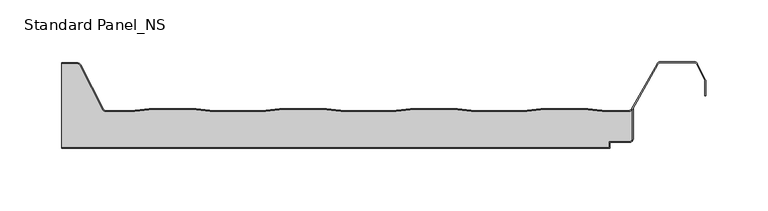
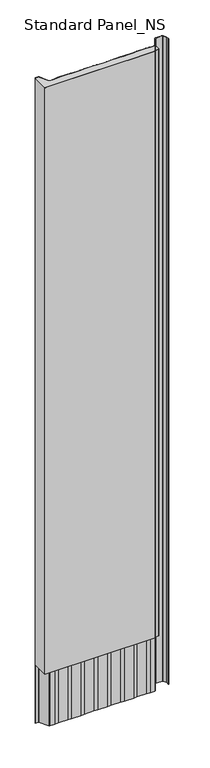
"""IFC4 building model written with IfcOpenShell, lengths in millimetres: proxy geometry, Standard Panel_NS."""

from ifc_helpers import new_model, si_unit, point, frame, frame_2d, origin, origin_with_axes, place, context, project, spatial, polyline, circle_curve, trimmed, segment, composite_curve, outline, extrude, source, transform, mapped, element, save


def standard_panel_ns_cd1e260e(model_context):
    return source(origin(), model_context, "Body", "SweptSolid", [
        extrude(outline(composite_curve([segment(trimmed(circle_curve(frame_2d((211.2333676, 7.9776976)), 2.1), [point((213.3333676, 7.9776976))], [point((211.2333676, 5.8776976))], False, "CARTESIAN"), True, "CONTINUOUS"), segment(polyline([(211.2333676, 5.8776976), (194.4044995, 5.8776976), (194.4044995, 0.8776976), (-249.4999998, 0.8776976), (-249.4999998, 68.61), (-236.856809, 68.61)]), True, "CONTINUOUS"), segment(trimmed(circle_curve(frame_2d((-236.856809, 66.41)), 2.2), [point((-236.856809, 68.61))], [point((-234.886672, 67.389061))], False, "CARTESIAN"), True, "CONTINUOUS"), segment(polyline([(-234.886672, 67.389061), (-216.5484349, 31.7067576)]), True, "CONTINUOUS"), segment(trimmed(circle_curve(frame_2d((-213.150958, 33.4088594)), 3.8), [point((-216.5484349, 31.7067576))], [point((-213.150958, 29.6088594))], True, "CARTESIAN"), True, "CONTINUOUS"), segment(polyline([(-213.150958, 29.6088594), (-193.3070694, 29.6088594), (-178.4996096, 31.4), (-140.4767285, 31.4), (-125.6575299, 29.6074394), (-87.3188082, 29.6074394), (-72.4996096, 31.4), (-34.4767285, 31.4), (-19.6433531, 29.6057246), (18.667015, 29.6057246), (33.5003904, 31.4), (71.5232715, 31.4), (86.3708237, 29.6040097), (124.6528382, 29.6040097), (139.5003904, 31.4), (177.5232715, 31.4), (192.3850005, 29.6022949), (210.2255766, 29.6022949)]), True, "CONTINUOUS"), segment(trimmed(circle_curve(frame_2d((210.179188, 33.4020117)), 3.8), [point((210.2255766, 29.6022949))], [point((213.3333676, 31.2827781))], True, "CARTESIAN"), True, "CONTINUOUS"), segment(polyline([(213.3333676, 31.2827781), (213.3333676, 7.9776976)]), True, "CONTINUOUS")], self_intersect=False)), origin_with_axes(), (0.0, 0.0, 1.0), 2500.0),
        extrude(outline(composite_curve([segment(trimmed(circle_curve(frame_2d((-236.856809, 66.41)), 3.0), [point((-236.856809, 69.41))], [point((-234.1728576, 67.7503003))], False, "CARTESIAN"), True, "CONTINUOUS"), segment(polyline([(-234.1728576, 67.7503003), (-215.8349094, 32.0685591)]), True, "CONTINUOUS"), segment(trimmed(circle_curve(frame_2d((-213.150958, 33.4088594)), 3.0), [point((-215.8349094, 32.0685591))], [point((-213.150958, 30.4088594))], True, "CARTESIAN"), True, "CONTINUOUS"), segment(polyline([(-213.150958, 30.4088594), (-193.3552785, 30.4088594), (-178.5478187, 32.2), (-140.4285194, 32.2), (-125.6093208, 30.4074394), (-87.3670173, 30.4074394), (-72.5478187, 32.2), (-34.4285194, 32.2), (-19.595144, 30.4057246), (18.6188059, 30.4057246), (33.4521813, 32.2), (71.5714806, 32.2), (86.4190328, 30.4040097), (124.6046291, 30.4040097), (139.4521813, 32.2), (177.5714806, 32.2), (192.4332096, 30.4022949), (210.1379709, 30.4022949)]), True, "CONTINUOUS"), segment(trimmed(circle_curve(frame_2d((210.179188, 33.4020117)), 3.0), [point((210.1379709, 30.4022949))], [point((212.8067154, 31.9542204))], True, "CARTESIAN"), True, "CONTINUOUS"), segment(polyline([(212.8067154, 31.9542204), (233.7091409, 68.8490344)]), True, "CONTINUOUS"), segment(trimmed(circle_curve(frame_2d((236.3366683, 67.401243)), 3.0), [point((233.7091409, 68.8490344))], [point((236.3366683, 70.401243))], False, "CARTESIAN"), True, "CONTINUOUS"), segment(polyline([(236.3366683, 70.401243), (263.6856737, 70.401243)]), True, "CONTINUOUS"), segment(trimmed(circle_curve(frame_2d((263.6856737, 67.401243)), 3.0), [point((263.6856737, 70.401243))], [point((266.3696251, 68.7415434))], False, "CARTESIAN"), True, "CONTINUOUS"), segment(polyline([(266.3696251, 68.7415434), (272.89881, 55.6668507)]), True, "CONTINUOUS"), segment(trimmed(circle_curve(frame_2d((270.2148586, 54.3265504)), 3.0), [point((272.89881, 55.6668507))], [point((273.2148586, 54.3265504))], False, "CARTESIAN"), True, "CONTINUOUS"), segment(polyline([(273.2148586, 54.3265504), (273.2148586, 42.8571101), (272.4148586, 42.8571101), (272.4148586, 54.3265504)]), True, "CONTINUOUS"), segment(trimmed(circle_curve(frame_2d((270.2148586, 54.3265504)), 2.2), [point((272.4148586, 54.3265504))], [point((272.1830896, 55.3094373))], True, "CARTESIAN"), True, "CONTINUOUS"), segment(polyline([(272.1830896, 55.3094373), (265.6539047, 68.3841299)]), True, "CONTINUOUS"), segment(trimmed(circle_curve(frame_2d((263.6856737, 67.401243)), 2.2), [point((265.6539047, 68.3841299))], [point((263.6856737, 69.601243))], True, "CARTESIAN"), True, "CONTINUOUS"), segment(polyline([(263.6856737, 69.601243), (236.3366683, 69.601243)]), True, "CONTINUOUS"), segment(trimmed(circle_curve(frame_2d((236.3366683, 67.401243)), 2.2), [point((236.3366683, 69.601243))], [point((234.4077106, 68.4591287))], True, "CARTESIAN"), True, "CONTINUOUS"), segment(polyline([(234.4077106, 68.4591287), (213.5049667, 31.5637527)]), True, "CONTINUOUS"), segment(trimmed(circle_curve(frame_2d((210.179188, 33.4020117)), 3.8), [point((213.5049667, 31.5637527))], [point((210.1327994, 29.6022949))], False, "CARTESIAN"), True, "CONTINUOUS"), segment(polyline([(210.1327994, 29.6022949), (192.3850005, 29.6022949), (177.5232715, 31.4), (139.5003904, 31.4), (124.6528382, 29.6040097), (86.3708237, 29.6040097), (71.5232715, 31.4), (33.5003904, 31.4), (18.667015, 29.6057246), (-19.6433531, 29.6057246), (-34.4767285, 31.4), (-72.4996096, 31.4), (-87.3188082, 29.6074394), (-125.6575299, 29.6074394), (-140.4767285, 31.4), (-178.4996096, 31.4), (-193.3070694, 29.6088594), (-213.150958, 29.6088594)]), True, "CONTINUOUS"), segment(trimmed(circle_curve(frame_2d((-213.150958, 33.4088594)), 3.8), [point((-213.150958, 29.6088594))], [point((-216.5484349, 31.7067576))], False, "CARTESIAN"), True, "CONTINUOUS"), segment(polyline([(-216.5484349, 31.7067576), (-234.886672, 67.389061)]), True, "CONTINUOUS"), segment(trimmed(circle_curve(frame_2d((-236.856809, 66.41)), 2.2), [point((-234.886672, 67.389061))], [point((-236.856809, 68.61))], True, "CARTESIAN"), True, "CONTINUOUS"), segment(polyline([(-236.856809, 68.61), (-249.4999998, 68.61), (-249.4999998, 69.41), (-236.856809, 69.41)]), True, "CONTINUOUS")], self_intersect=False)), frame((0.0, 0.0, -250.0), z_axis=(0.0, 0.0, 1.0), x_axis=(1.0, 0.0, 0.0)), (0.0, 0.0, 1.0), 2750.0),
        extrude(outline(composite_curve([segment(polyline([(194.4044995, 0.9), (194.4044995, 5.9), (211.2333676, 5.9)]), True, "CONTINUOUS"), segment(trimmed(circle_curve(frame_2d((211.2333676, 8.0)), 2.1), [point((211.2333676, 5.9))], [point((213.3333676, 8.0))], True, "CARTESIAN"), True, "CONTINUOUS"), segment(polyline([(213.3333676, 8.0), (213.3333676, 31.2827781), (214.2333676, 32.8494512), (214.2333676, 8.0)]), True, "CONTINUOUS"), segment(trimmed(circle_curve(frame_2d((211.2333676, 8.0)), 3.0), [point((214.2333676, 8.0))], [point((211.2333676, 5.0))], False, "CARTESIAN"), True, "CONTINUOUS"), segment(polyline([(211.2333676, 5.0), (195.3044995, 5.0), (195.3044995, 0.0), (-249.4999998, 0.0), (-249.4999998, 0.9), (194.4044995, 0.9)]), True, "CONTINUOUS")], self_intersect=False)), origin_with_axes(), (0.0, 0.0, 1.0), 2500.0),
    ])


if __name__ == "__main__":
    model = new_model("IFC4")
    model_context = context("Model", 3, world=origin())
    ifc_project = project(units=[si_unit("LENGTHUNIT", "METRE", prefix="MILLI")], contexts=[model_context])
    site = spatial("IfcSite", under=ifc_project)
    building = spatial("IfcBuilding", under=site)
    placement = place(None, origin())
    standard_panel_ns_shape = standard_panel_ns_cd1e260e(model_context)
    element("IfcBuildingElementProxy", 1, Name="Standard Panel_NS", ObjectType="Standard Panel_NS", at=placement, inside=building, context=model_context, shape_type="MappedRepresentation", body=[
        mapped(standard_panel_ns_shape, transform((0.0, 0.0, 0.0), x_axis=(1.0, 0.0, 0.0), y_axis=(0.0, 1.0, 0.0), z_axis=(0.0, 0.0, 1.0))),
    ])
    save(model, "model.ifc")
